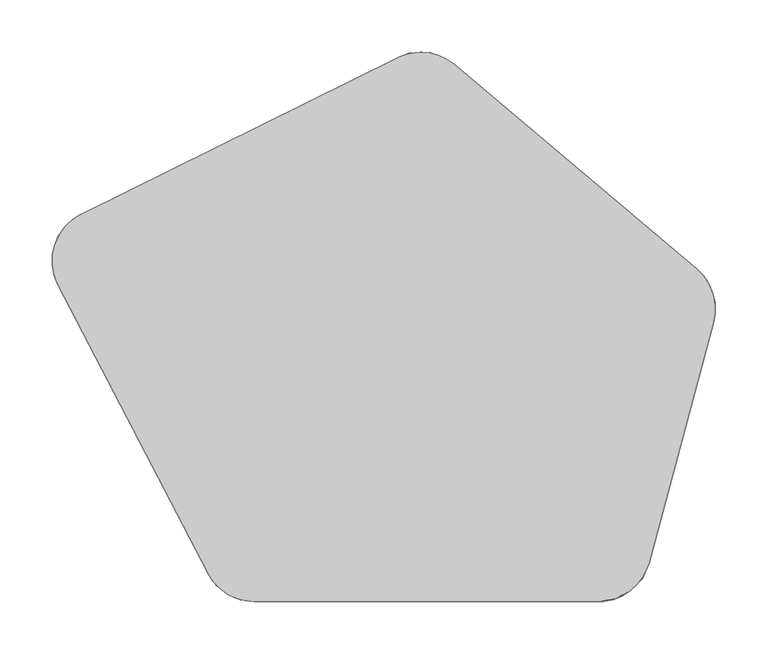
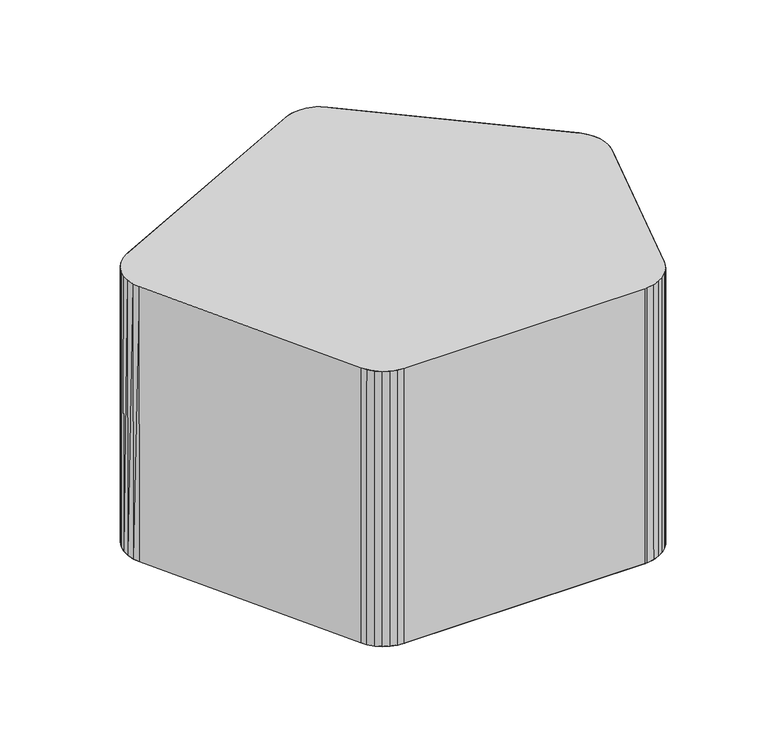
"""IFC4 building model written with IfcOpenShell, lengths in millimetres: furniture geometry."""

import ifcopenshell
import ifcopenshell.guid

model = None  # the IFC model being written
_history = None  # IfcOwnerHistory: only IFC2X3 demands one
_inside = {}  # id of a spatial element -> (the spatial element, [elements in it])
_under = {}  # id of a project, library or spatial element -> (it, [spatial elements below it])
_declared = {}  # id of a project -> (the project, [libraries it declares])
_typed = {}  # id of a type object -> (the type object, [elements of that type])
_made_of = {}  # id of a material, layer set ... -> (it, [elements and type objects made of it])


def new_model(schema):
    """Start an empty IFC model of exactly this schema.

    Asked for "IFC4X3", IfcOpenShell would pick the latest addendum, in which some entities
    have other attributes; the version numbers below select the first issue.
    IFC2X3 requires an IfcOwnerHistory on every rooted entity: one is made here for all.
    """
    global model, _history
    if schema == "IFC4X3":
        model = ifcopenshell.file(schema_version=(4, 3, 0, 0))
    else:
        model = ifcopenshell.file(schema=schema)
    _inside.clear()
    _under.clear()
    _declared.clear()
    _typed.clear()
    _made_of.clear()
    _history = None
    if model.schema == "IFC2X3":
        org = make("IfcOrganization", Name="unknown")
        user = make(
            "IfcPersonAndOrganization",
            ThePerson=make("IfcPerson", FamilyName="unknown"),
            TheOrganization=org,
        )
        app = make(
            "IfcApplication",
            ApplicationDeveloper=org,
            Version="unknown",
            ApplicationFullName="unknown",
            ApplicationIdentifier="unknown",
        )
        _history = make(
            "IfcOwnerHistory",
            OwningUser=user,
            OwningApplication=app,
            ChangeAction="ADDED",
            CreationDate=0,
        )
    return model


def make(cls, **values):
    """One entity of the class cls with the attributes given. An attribute that is None is left unset."""
    return model.create_entity(
        cls, **{name: value for name, value in values.items() if value is not None}
    )


def rooted(cls, **values):
    """An entity with a GlobalId (a new one), such as an element, a storey or a relation."""
    return make(cls, GlobalId=ifcopenshell.guid.new(), OwnerHistory=_history, **values)


def si_unit(unit_type, name, prefix=None):
    """IfcSIUnit, for example si_unit("LENGTHUNIT", "METRE", prefix="MILLI")."""
    return make("IfcSIUnit", UnitType=unit_type, Prefix=prefix, Name=name)


def assignment(units):
    """IfcUnitAssignment: the units of a project."""
    return None if units is None else make("IfcUnitAssignment", Units=units)


def point(xyz):
    """IfcCartesianPoint."""
    return None if xyz is None else make("IfcCartesianPoint", Coordinates=xyz)


def direction(xyz):
    """IfcDirection."""
    return None if xyz is None else make("IfcDirection", DirectionRatios=xyz)


def frame(location, z_axis=None, x_axis=None):
    """IfcAxis2Placement3D, a coordinate frame: its origin and axes. An axis left out is left unset."""
    return make(
        "IfcAxis2Placement3D",
        Location=point(location),
        Axis=direction(z_axis),
        RefDirection=direction(x_axis),
    )


def origin():
    """The frame at (0, 0, 0) with its axes left unset."""
    return frame((0.0, 0.0, 0.0))


def place(relative_to, where):
    """IfcLocalPlacement: puts the frame where relative to a parent placement (None: the world)."""
    return make(
        "IfcLocalPlacement", PlacementRelTo=relative_to, RelativePlacement=where
    )


def context(
    kind, dimensions, precision=None, world=None, true_north=None, identifier=None
):
    """IfcGeometricRepresentationContext, for example the 3D "Model" context."""
    return make(
        "IfcGeometricRepresentationContext",
        ContextIdentifier=identifier,
        ContextType=kind,
        CoordinateSpaceDimension=dimensions,
        Precision=precision,
        WorldCoordinateSystem=world,
        TrueNorth=true_north,
    )


def project(units=None, contexts=None):
    """IfcProject with its units and contexts."""
    return rooted(
        "IfcProject",
        Name="project",
        RepresentationContexts=contexts,
        UnitsInContext=assignment(units),
    )


def spatial(cls, under=None, at=None, **own):
    """A site, building, storey or space (cls), placed at a placement, below another one or the project."""
    s = rooted(cls, ObjectPlacement=at, **own)
    if under is not None:
        _under.setdefault(under.id(), (under, []))[1].append(s)
    return s


def point_list(points):
    """IfcCartesianPointList2D or 3D."""
    cls = (
        "IfcCartesianPointList2D" if len(points[0]) == 2 else "IfcCartesianPointList3D"
    )
    return make(cls, CoordList=points)


def triangles(points, corners, closed=None, point_numbers=None):
    """IfcTriangulatedFaceSet: each triangle names its three corners, points numbered from 1."""
    return make(
        "IfcTriangulatedFaceSet",
        Coordinates=point_list(points),
        Closed=closed,
        CoordIndex=corners,
        PnIndex=point_numbers,
    )


def shape(context_of_items, identifier, shape_type, items):
    """IfcShapeRepresentation: the items that make up one representation, for example the "Body"."""
    return make(
        "IfcShapeRepresentation",
        ContextOfItems=context_of_items,
        RepresentationIdentifier=identifier,
        RepresentationType=shape_type,
        Items=items,
    )


def source(mapping_origin, context_of_items, identifier, shape_type, items):
    """IfcRepresentationMap: a shape defined once, which mapped items show again and again."""
    return make(
        "IfcRepresentationMap",
        MappingOrigin=mapping_origin,
        MappedRepresentation=shape(context_of_items, identifier, shape_type, items),
    )


def transform(
    local_origin,
    x_axis=None,
    y_axis=None,
    z_axis=None,
    scale=None,
    scale2=None,
    scale3=None,
    uniform=True,
):
    """IfcCartesianTransformationOperator3D, or its non-uniform kind. x_axis, y_axis, z_axis: its Axis1, 2, 3."""
    if uniform:
        return make(
            "IfcCartesianTransformationOperator3D",
            Axis1=direction(x_axis),
            Axis2=direction(y_axis),
            LocalOrigin=point(local_origin),
            Scale=scale,
            Axis3=direction(z_axis),
        )
    return make(
        "IfcCartesianTransformationOperator3DnonUniform",
        Axis1=direction(x_axis),
        Axis2=direction(y_axis),
        LocalOrigin=point(local_origin),
        Scale=scale,
        Axis3=direction(z_axis),
        Scale2=scale2,
        Scale3=scale3,
    )


def mapped(mapping_source, mapping_target):
    """IfcMappedItem: shows the shape of a source again, moved by a transform."""
    return make(
        "IfcMappedItem", MappingSource=mapping_source, MappingTarget=mapping_target
    )


def made_of(thing, what):
    """Note that an element or type object is made of a material, layer set ...; save() writes the relation."""
    if what is not None:
        _made_of.setdefault(what.id(), (what, []))[1].append(thing)
    return thing


def element(
    cls,
    number,
    at=None,
    inside=None,
    cuts=None,
    type_object=None,
    material=None,
    context=None,
    identifier="Body",
    shape_type=None,
    held_by="IfcProductDefinitionShape",
    body=None,
    shapes=None,
    **own,
):
    """One element of the class cls, such as IfcWall. Its Tag is "e" and its number.

    at: its placement. inside: the storey or other place that contains it. cuts: it is an
    opening in that element (IfcRelVoidsElement). A single representation is given by context,
    identifier, shape_type and body (its items); several are given by shapes. held_by: the class
    of the entity that holds the representations. save() writes the other relations.
    """
    e = rooted(cls, Tag="e%d" % number, ObjectPlacement=at, **own)
    if body is not None:
        shapes = [shape(context, identifier, shape_type, body)]
    if shapes is not None:
        e.Representation = make(held_by, Representations=shapes)
    if inside is not None:
        _inside.setdefault(inside.id(), (inside, []))[1].append(e)
    if cuts is not None:
        rooted(
            "IfcRelVoidsElement", RelatingBuildingElement=cuts, RelatedOpeningElement=e
        )
    if type_object is not None:
        _typed.setdefault(type_object.id(), (type_object, []))[1].append(e)
    return made_of(e, material)


def aggregate(whole, parts):
    """IfcRelAggregates: a whole, such as a stair, and the parts it consists of."""
    return rooted("IfcRelAggregates", RelatingObject=whole, RelatedObjects=parts)


def save(model, path):
    """Write the relations noted so far, then the file.

    IfcRelAggregates (storeys below a building ...), IfcRelContainedInSpatialStructure (elements
    in a storey), IfcRelDefinesByType, IfcRelAssociatesMaterial and IfcRelDeclares: one each for
    every whole, place, type object, material and project.
    """
    for whole, parts in _under.values():
        aggregate(whole, parts)
    for where, things in _inside.values():
        rooted(
            "IfcRelContainedInSpatialStructure",
            RelatedElements=things,
            RelatingStructure=where,
        )
    for kind, things in _typed.values():
        rooted("IfcRelDefinesByType", RelatedObjects=things, RelatingType=kind)
    for what, things in _made_of.values():
        rooted("IfcRelAssociatesMaterial", RelatedObjects=things, RelatingMaterial=what)
    for by, libraries in _declared.values():
        rooted("IfcRelDeclares", RelatingContext=by, RelatedDefinitions=libraries)
    model.write(path)


def furniture_0a2021f6(model_context):
    return source(origin(), model_context, "Body", "Tessellation", [
        triangles([(341.9059402, 57.9696864, 399.9992121), (108.9810836, 254.1109074, 5.25e-05), (341.9059402, 57.9697545, 1.82e-05), (108.9810836, 254.1108347, 399.9992484), (59.8818443, 262.9242235, 399.9992484), (65.399921, 264.5536308, 5.43e-05), (65.399921, 264.5535763, 399.9992484), (71.0686201, 265.5377832, 399.9992484), (76.7749646, 265.8649445, 5.45e-05), (76.7749646, 265.8648718, 399.9992484), (71.0686201, 265.5378196, 5.45e-05), (54.621436, 260.6888031, 399.9992484), (54.621436, 260.6888757, 5.36e-05), (59.8818443, 262.924278, 5.4e-05), (357.9959736, 6.7831989, 9.2e-06), (296.0759381, -224.3059516, -3.12e-05), (296.0759381, -224.3060243, 399.9991758), (357.9959736, 6.783129, 399.9992121), (-249.3834679, 110.4402356, 2.73e-05), (-249.3834679, 110.4401629, 399.9992484), (101.8315645, 259.1328925, 399.9992484), (85.4788189, 265.1009846, 399.9992484), (93.9168989, 262.8341005, 399.9992484), (278.2178032, -251.0327391, 399.9991758), (263.8517119, -258.7117242, 399.9991758), (247.779801, -261.3653259, 399.9991758), (289.3531316, -239.1437644, 399.9991758), (-83.042466, -261.3654564, 399.9991758), (359.6882733, 20.7930808, 399.9992121), (357.3986578, 34.7176813, 399.9992121), (351.3094923, 47.4478012, 399.9992121), (-96.5094405, -259.5176973, 399.9991758), (-108.9810821, -254.1108347, 399.9991758), (-119.5355901, -245.5449713, 399.9991758), (-127.3929068, -234.45279, 399.9991758), (-271.5803206, 42.5285294, 399.9992121), (-275.2687599, 51.7500816, 399.9992121), (-277.0616391, 61.5190481, 399.9992121), (-276.8883592, 71.4491878, 399.9992121), (-274.7556059, 81.1499587, 399.9992121), (-270.74764, 90.2370501, 399.9992484), (-265.0225185, 98.3528166, 399.9992484), (-257.8062268, 105.176829, 399.9992484), (-127.3929068, -234.4527174, -3.3e-05), (-271.5803206, 42.5285975, 1.55e-05), (85.0840301, 265.1691672, 399.9992484), (101.8899458, 259.099101, 5.33e-05), (102.1774782, 258.9311788, 399.9992484), (93.9168989, 262.8341732, 5.4e-05), (85.4123895, 265.1129752, 5.44e-05), (348.5305552, 51.2225112, 1.7e-05), (359.5688774, 16.1072045, 399.9992121), (359.5686957, 16.1072737, 1.09e-05), (359.3307362, 25.787951, 399.9992121), (359.3306272, 25.7875445, 1.25e-05), (357.3986578, 34.7177494, 1.41e-05), (353.8741621, 43.1467288, 399.9992121), (353.8740531, 43.1468014, 1.56e-05), (348.5306642, 51.2224386, 399.9992121), (-257.8062268, 105.1769017, 2.64e-05), (-265.0225185, 98.3528802, 2.52e-05), (278.2178032, -251.0326846, -3.59e-05), (247.779801, -261.3652714, -3.77e-05), (263.8517119, -258.7116515, -3.72e-05), (289.3531316, -239.1436917, -3.38e-05), (-83.042466, -261.3653837, -3.77e-05), (359.6936146, 20.5032355, 1.16e-05), (351.1482376, 47.6886749, 1.64e-05), (-96.5094405, -259.5176609, -3.73e-05), (-108.9810821, -254.1107984, -3.64e-05), (-119.5355901, -245.5448987, -3.49e-05), (-275.2687599, 51.7501497, 1.71e-05), (-277.0616391, 61.5191116, 1.88e-05), (-276.8883592, 71.4492559, 2.05e-05), (-274.7556059, 81.1500223, 2.22e-05), (-270.74764, 90.2371137, 2.38e-05), (251.549847, -261.2232373, 399.9991758), (261.4793823, -259.4521954, -3.73e-05), (251.549847, -261.2231828, -3.76e-05), (294.962998, -227.9108916, 399.9991758), (294.962998, -227.910819, -3.18e-05), (290.6822652, -237.0437652, 399.9991758), (290.6822652, -237.0436925, -3.34e-05), (284.927676, -244.8318809, -3.48e-05), (284.927676, -244.8319536, 399.9991758), (270.4916223, -255.9093505, 399.9991758), (270.4916223, -255.9092778, -3.67e-05), (261.4793823, -259.452268, 399.9991758), (-271.8196956, 42.9939216, 399.9992121), (-249.851626, 110.2060292, 399.9992484), (-258.5085095, 104.6241737, 399.9992484), (-265.7008926, 97.5531651, 399.9992484), (-271.1356612, 89.5380011, 399.9992484), (-276.7887652, 72.2421627, 399.9992121), (-277.1367073, 62.5647509, 399.9992121), (-275.509007, 52.6107712, 399.9992121), (-122.8943066, -241.5619483, 399.9991758), (-91.425521, -260.6573434, 399.9991758), (-91.425521, -260.6572889, -3.75e-05), (-100.7700273, -258.1171839, -3.71e-05), (-100.7700273, -258.1172385, 399.9991758), (-116.3261743, -248.6777192, -3.54e-05), (-116.3261743, -248.6777737, 399.9991758), (-122.8943066, -241.5618757, -3.42e-05)], [[1, 2, 3], [4, 2, 1], [5, 6, 7], [8, 9, 10], [8, 11, 9], [7, 11, 8], [7, 6, 11], [12, 13, 14], [12, 14, 5], [5, 14, 6], [15, 16, 17], [15, 17, 18], [12, 19, 13], [20, 19, 12], [21, 22, 23], [24, 25, 26], [27, 24, 26], [17, 27, 26], [17, 26, 28], [18, 17, 28], [29, 18, 28], [29, 28, 30], [30, 28, 31], [31, 28, 1], [1, 28, 4], [4, 28, 32], [4, 32, 33], [4, 33, 34], [4, 34, 35], [4, 35, 36], [4, 36, 37], [4, 37, 38], [4, 38, 39], [4, 39, 40], [4, 40, 41], [4, 41, 42], [4, 42, 43], [4, 43, 20], [4, 20, 12], [4, 12, 7], [4, 7, 10], [4, 10, 21], [21, 10, 22], [36, 35, 44], [36, 44, 45], [10, 9, 46], [4, 47, 2], [48, 47, 4], [23, 47, 48], [23, 49, 47], [46, 49, 23], [46, 50, 49], [46, 9, 50], [3, 51, 1], [52, 15, 18], [53, 15, 52], [54, 53, 52], [54, 55, 53], [30, 55, 54], [56, 55, 30], [57, 56, 30], [58, 56, 57], [59, 58, 57], [59, 51, 58], [1, 51, 59], [19, 60, 61], [62, 63, 64], [65, 63, 62], [16, 63, 65], [16, 66, 63], [15, 66, 16], [67, 66, 15], [67, 56, 66], [56, 68, 66], [68, 3, 66], [3, 2, 66], [2, 69, 66], [2, 70, 69], [2, 71, 70], [2, 44, 71], [2, 45, 44], [2, 47, 45], [47, 49, 45], [49, 50, 45], [50, 9, 45], [9, 6, 45], [6, 13, 45], [13, 19, 45], [19, 72, 45], [19, 73, 72], [19, 74, 73], [19, 75, 74], [19, 76, 75], [19, 61, 76], [26, 63, 66], [26, 66, 28], [77, 78, 79], [77, 63, 26], [77, 79, 63], [16, 80, 17], [16, 81, 80], [81, 82, 80], [81, 83, 82], [83, 84, 82], [82, 84, 85], [85, 84, 62], [85, 62, 24], [24, 62, 86], [86, 62, 87], [86, 87, 78], [86, 78, 88], [88, 78, 77], [89, 36, 45], [90, 19, 20], [90, 60, 19], [91, 60, 90], [91, 61, 60], [92, 61, 91], [61, 92, 76], [92, 93, 76], [76, 93, 75], [93, 40, 75], [40, 94, 75], [75, 94, 74], [94, 95, 74], [74, 95, 73], [95, 96, 73], [73, 96, 72], [96, 89, 72], [72, 89, 45], [35, 97, 44], [28, 66, 98], [98, 66, 99], [98, 99, 100], [98, 100, 101], [101, 100, 70], [101, 70, 33], [33, 70, 102], [33, 102, 103], [104, 103, 102], [97, 103, 104], [44, 97, 104]], closed=False),
        triangles([(341.9059402, 57.9696864, 399.9992121), (341.9059402, 57.9697545, 1.82e-05), (108.9810836, 254.1109074, 5.25e-05), (108.9810836, 254.1108347, 399.9992484), (59.8818443, 262.9242235, 399.9992484), (65.399921, 264.5535763, 399.9992484), (65.399921, 264.5536308, 5.43e-05), (71.0686201, 265.5377832, 399.9992484), (76.7749646, 265.8648718, 399.9992484), (76.7749646, 265.8649445, 5.45e-05), (71.0686201, 265.5378196, 5.45e-05), (54.621436, 260.6888031, 399.9992484), (59.8818443, 262.924278, 5.4e-05), (54.621436, 260.6888757, 5.36e-05), (357.9959736, 6.7831989, 9.2e-06), (296.0759381, -224.3060243, 399.9991758), (296.0759381, -224.3059516, -3.12e-05), (357.9959736, 6.783129, 399.9992121), (-249.3834679, 110.4402356, 2.73e-05), (-249.3834679, 110.4401629, 399.9992484), (101.8315645, 259.1328925, 399.9992484), (93.9168989, 262.8341005, 399.9992484), (85.4788189, 265.1009846, 399.9992484), (278.2178032, -251.0327391, 399.9991758), (247.779801, -261.3653259, 399.9991758), (263.8517119, -258.7117242, 399.9991758), (289.3531316, -239.1437644, 399.9991758), (-83.042466, -261.3654564, 399.9991758), (359.6882733, 20.7930808, 399.9992121), (357.3986578, 34.7176813, 399.9992121), (351.3094923, 47.4478012, 399.9992121), (-96.5094405, -259.5176973, 399.9991758), (-108.9810821, -254.1108347, 399.9991758), (-119.5355901, -245.5449713, 399.9991758), (-127.3929068, -234.45279, 399.9991758), (-271.5803206, 42.5285294, 399.9992121), (-275.2687599, 51.7500816, 399.9992121), (-277.0616391, 61.5190481, 399.9992121), (-276.8883592, 71.4491878, 399.9992121), (-274.7556059, 81.1499587, 399.9992121), (-270.74764, 90.2370501, 399.9992484), (-265.0225185, 98.3528166, 399.9992484), (-257.8062268, 105.176829, 399.9992484), (-127.3929068, -234.4527174, -3.3e-05), (-271.5803206, 42.5285975, 1.55e-05), (85.0840301, 265.1691672, 399.9992484), (101.8899458, 259.099101, 5.33e-05), (102.1774782, 258.9311788, 399.9992484), (93.9168989, 262.8341732, 5.4e-05), (85.4123895, 265.1129752, 5.44e-05), (348.5305552, 51.2225112, 1.7e-05), (359.5688774, 16.1072045, 399.9992121), (359.5686957, 16.1072737, 1.09e-05), (359.3307362, 25.787951, 399.9992121), (359.3306272, 25.7875445, 1.25e-05), (357.3986578, 34.7177494, 1.41e-05), (353.8741621, 43.1467288, 399.9992121), (353.8740531, 43.1468014, 1.56e-05), (348.5306642, 51.2224386, 399.9992121), (-265.0225185, 98.3528802, 2.52e-05), (-257.8062268, 105.1769017, 2.64e-05), (278.2178032, -251.0326846, -3.59e-05), (263.8517119, -258.7116515, -3.72e-05), (247.779801, -261.3652714, -3.77e-05), (289.3531316, -239.1436917, -3.38e-05), (-83.042466, -261.3653837, -3.77e-05), (359.6936146, 20.5032355, 1.16e-05), (351.1482376, 47.6886749, 1.64e-05), (-96.5094405, -259.5176609, -3.73e-05), (-108.9810821, -254.1107984, -3.64e-05), (-119.5355901, -245.5448987, -3.49e-05), (-275.2687599, 51.7501497, 1.71e-05), (-277.0616391, 61.5191116, 1.88e-05), (-276.8883592, 71.4492559, 2.05e-05), (-274.7556059, 81.1500223, 2.22e-05), (-270.74764, 90.2371137, 2.38e-05), (251.549847, -261.2232373, 399.9991758), (251.549847, -261.2231828, -3.76e-05), (261.4793823, -259.4521954, -3.73e-05), (294.962998, -227.9108916, 399.9991758), (294.962998, -227.910819, -3.18e-05), (290.6822652, -237.0437652, 399.9991758), (290.6822652, -237.0436925, -3.34e-05), (284.927676, -244.8318809, -3.48e-05), (284.927676, -244.8319536, 399.9991758), (270.4916223, -255.9093505, 399.9991758), (270.4916223, -255.9092778, -3.67e-05), (261.4793823, -259.452268, 399.9991758), (-271.8196956, 42.9939216, 399.9992121), (-249.851626, 110.2060292, 399.9992484), (-258.5085095, 104.6241737, 399.9992484), (-265.7008926, 97.5531651, 399.9992484), (-271.1356612, 89.5380011, 399.9992484), (-276.7887652, 72.2421627, 399.9992121), (-277.1367073, 62.5647509, 399.9992121), (-275.509007, 52.6107712, 399.9992121), (-122.8943066, -241.5619483, 399.9991758), (-91.425521, -260.6573434, 399.9991758), (-91.425521, -260.6572889, -3.75e-05), (-100.7700273, -258.1171839, -3.71e-05), (-100.7700273, -258.1172385, 399.9991758), (-116.3261743, -248.6777192, -3.54e-05), (-116.3261743, -248.6777737, 399.9991758), (-122.8943066, -241.5618757, -3.42e-05)], [[1, 2, 3], [4, 1, 3], [5, 6, 7], [8, 9, 10], [8, 10, 11], [6, 8, 11], [6, 11, 7], [12, 13, 14], [12, 5, 13], [5, 7, 13], [15, 16, 17], [15, 18, 16], [12, 14, 19], [20, 12, 19], [21, 22, 23], [24, 25, 26], [27, 25, 24], [16, 25, 27], [16, 28, 25], [18, 28, 16], [29, 28, 18], [29, 30, 28], [30, 31, 28], [31, 1, 28], [1, 4, 28], [4, 32, 28], [4, 33, 32], [4, 34, 33], [4, 35, 34], [4, 36, 35], [4, 37, 36], [4, 38, 37], [4, 39, 38], [4, 40, 39], [4, 41, 40], [4, 42, 41], [4, 43, 42], [4, 20, 43], [4, 12, 20], [4, 6, 12], [4, 9, 6], [4, 21, 9], [21, 23, 9], [36, 44, 35], [36, 45, 44], [9, 46, 10], [4, 3, 47], [48, 4, 47], [22, 48, 47], [22, 47, 49], [46, 22, 49], [46, 49, 50], [46, 50, 10], [2, 1, 51], [52, 18, 15], [53, 52, 15], [54, 52, 53], [54, 53, 55], [30, 54, 55], [56, 30, 55], [57, 30, 56], [58, 57, 56], [59, 57, 58], [59, 58, 51], [1, 59, 51], [19, 60, 61], [62, 63, 64], [65, 62, 64], [17, 65, 64], [17, 64, 66], [15, 17, 66], [67, 15, 66], [67, 66, 56], [56, 66, 68], [68, 66, 2], [2, 66, 3], [3, 66, 69], [3, 69, 70], [3, 70, 71], [3, 71, 44], [3, 44, 45], [3, 45, 47], [47, 45, 49], [49, 45, 50], [50, 45, 10], [10, 45, 7], [7, 45, 14], [14, 45, 19], [19, 45, 72], [19, 72, 73], [19, 73, 74], [19, 74, 75], [19, 75, 76], [19, 76, 60], [25, 66, 64], [25, 28, 66], [77, 78, 79], [77, 25, 64], [77, 64, 78], [17, 16, 80], [17, 80, 81], [81, 80, 82], [81, 82, 83], [83, 82, 84], [82, 85, 84], [85, 62, 84], [85, 24, 62], [24, 86, 62], [86, 87, 62], [86, 79, 87], [86, 88, 79], [88, 77, 79], [89, 45, 36], [90, 20, 19], [90, 19, 61], [91, 90, 61], [91, 61, 60], [92, 91, 60], [60, 76, 92], [92, 76, 93], [76, 75, 93], [93, 75, 40], [40, 75, 94], [75, 74, 94], [94, 74, 95], [74, 73, 95], [95, 73, 96], [73, 72, 96], [96, 72, 89], [72, 45, 89], [35, 44, 97], [28, 98, 66], [98, 99, 66], [98, 100, 99], [98, 101, 100], [101, 70, 100], [101, 33, 70], [33, 102, 70], [33, 103, 102], [104, 102, 103], [97, 104, 103], [44, 104, 97]], closed=False),
    ])


if __name__ == "__main__":
    model = new_model("IFC4")
    model_context = context("Model", 3, world=origin())
    ifc_project = project(units=[si_unit("LENGTHUNIT", "METRE", prefix="MILLI")], contexts=[model_context])
    site = spatial("IfcSite", under=ifc_project)
    building = spatial("IfcBuilding", under=site)
    placement = place(None, origin())
    furniture_shape = furniture_0a2021f6(model_context)
    element("IfcFurniture", 1, at=placement, inside=building, context=model_context, shape_type="MappedRepresentation", body=[
        mapped(furniture_shape, transform((0.0, 0.0, 0.0), x_axis=(1.0, 0.0, 0.0), y_axis=(0.0, 1.0, 0.0), z_axis=(0.0, 0.0, 1.0))),
    ])
    save(model, "model.ifc")
